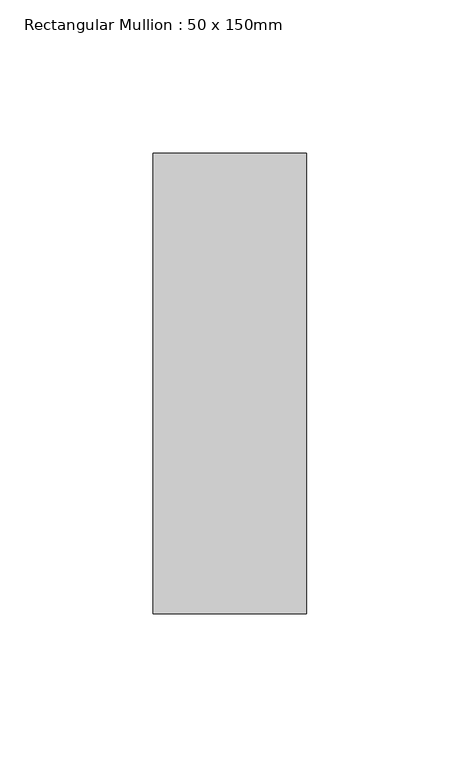
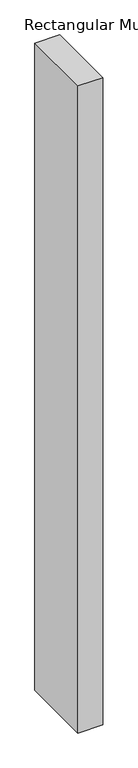
"""IFC4 building model written with IfcOpenShell, lengths in millimetres: member geometry, Rectangular Mullion : 50 x 150mm."""

from ifc_helpers import new_model, si_unit, frame, origin, place, context, project, spatial, polyline, outline, extrude, source, transform, mapped, element, save


def rectangular_mullion_50_x_150mm_61b3b229(model_context):
    return source(origin(), model_context, "Body", "SweptSolid", [
        extrude(outline(polyline([(0.0, 75.0), (0.0, -75.0), (-50.0, -75.0), (-50.0, 75.0), (0.0, 75.0)])), frame((0.0, 0.0, -1380.0), z_axis=(0.0, 0.0, 1.0), x_axis=(1.0, 0.0, 0.0)), (0.0, 0.0, 1.0), 1380.0),
    ])


if __name__ == "__main__":
    model = new_model("IFC4")
    model_context = context("Model", 3, world=origin())
    ifc_project = project(units=[si_unit("LENGTHUNIT", "METRE", prefix="MILLI")], contexts=[model_context])
    site = spatial("IfcSite", under=ifc_project)
    building = spatial("IfcBuilding", under=site)
    placement = place(None, origin())
    rectangular_mullion_50_x_150mm_shape = rectangular_mullion_50_x_150mm_61b3b229(model_context)
    element("IfcMember", 1, ObjectType="Rectangular Mullion : 50 x 150mm", at=placement, inside=building, context=model_context, shape_type="MappedRepresentation", body=[
        mapped(rectangular_mullion_50_x_150mm_shape, transform((0.0, 0.0, 0.0), x_axis=(1.0, 0.0, 0.0), y_axis=(0.0, 1.0, 0.0), z_axis=(0.0, 0.0, 1.0))),
    ])
    save(model, "model.ifc")
